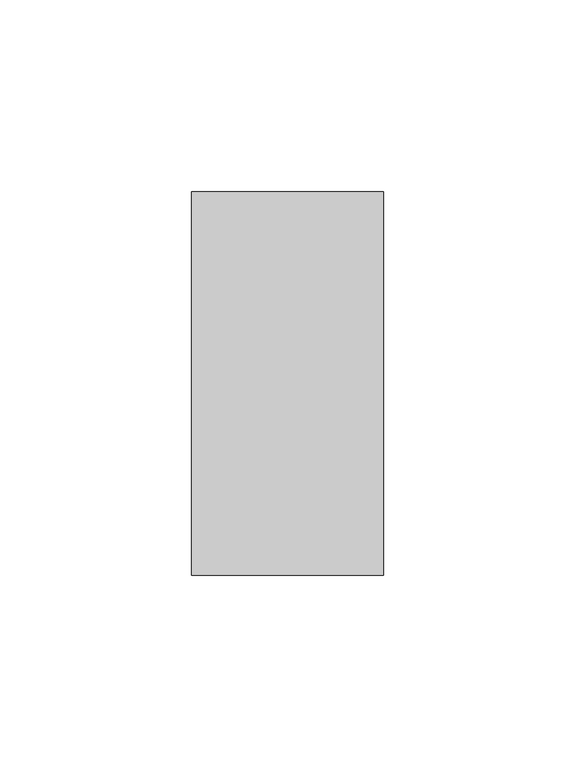
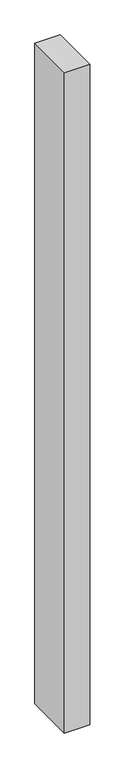
"""IFC4 building model written with IfcOpenShell, lengths in millimetres: member geometry."""

from ifc_helpers import new_model, si_unit, frame, origin, place, context, project, spatial, polyline, outline, extrude, source, transform, mapped, element, save


def member_83119e54(model_context):
    return source(origin(), model_context, "Body", "SweptSolid", [
        extrude(outline(polyline([(25.0, 50.0), (25.0, -50.0), (-25.0, -50.0), (-25.0, 50.0), (25.0, 50.0)])), frame((0.0, 0.0, -1367.2823646), z_axis=(0.0, 0.0, 1.0), x_axis=(1.0, 0.0, 0.0)), (0.0, 0.0, 1.0), 1367.2823646),
    ])


if __name__ == "__main__":
    model = new_model("IFC4")
    model_context = context("Model", 3, world=origin())
    ifc_project = project(units=[si_unit("LENGTHUNIT", "METRE", prefix="MILLI")], contexts=[model_context])
    site = spatial("IfcSite", under=ifc_project)
    building = spatial("IfcBuilding", under=site)
    placement = place(None, origin())
    member_shape = member_83119e54(model_context)
    element("IfcMember", 1, at=placement, inside=building, context=model_context, shape_type="MappedRepresentation", body=[
        mapped(member_shape, transform((0.0, 0.0, 0.0), x_axis=(1.0, 0.0, 0.0), y_axis=(0.0, 1.0, 0.0), z_axis=(0.0, 0.0, 1.0))),
    ])
    save(model, "model.ifc")
